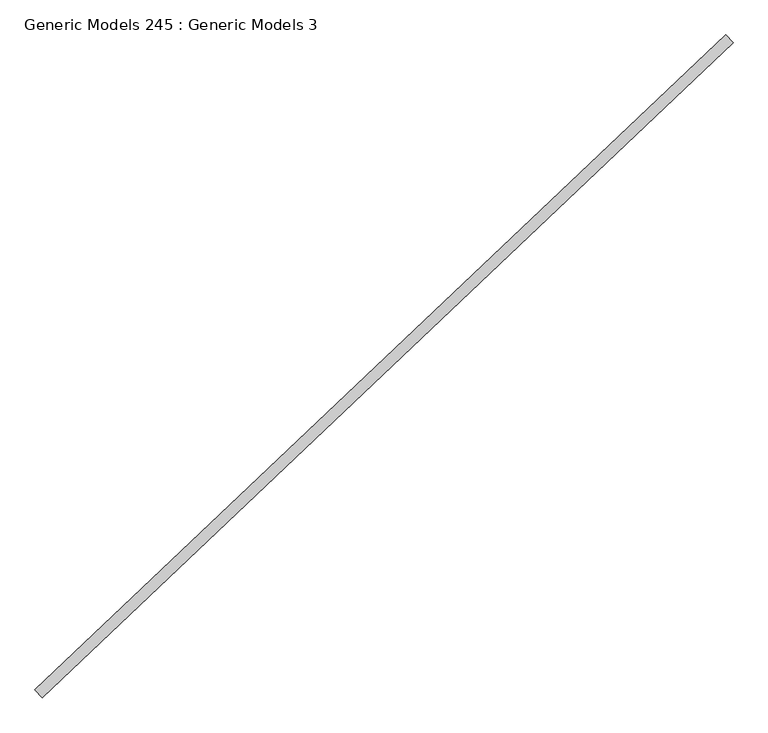
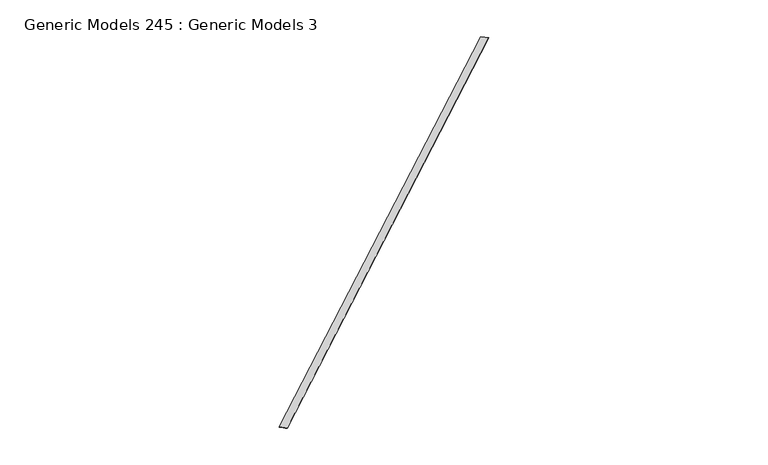
"""IFC4 building model written with IfcOpenShell, lengths in millimetres: proxy geometry, Generic Models 245 : Generic Models 3."""

from ifc_helpers import new_model, si_unit, frame, origin, place, context, project, spatial, polyline, outline, extrude, source, transform, mapped, element, save


def generic_models_245_generic_models_3_3dbd4131(model_context):
    return source(origin(), model_context, "Body", "SweptSolid", [
        extrude(outline(polyline([(115947.1854042, 53247.1694497), (116014.0551634, 53176.7034265), (109892.5120403, 47367.575909), (109825.6422811, 47438.0419322), (115947.1854042, 53247.1694497)])), frame((0.0, 0.0, 18015.2505588), z_axis=(0.0, 0.0, 1.0), x_axis=(1.0, 0.0, 0.0)), (0.0, 0.0, 1.0), 1.5875),
    ])


if __name__ == "__main__":
    model = new_model("IFC4")
    model_context = context("Model", 3, world=origin())
    ifc_project = project(units=[si_unit("LENGTHUNIT", "METRE", prefix="MILLI")], contexts=[model_context])
    site = spatial("IfcSite", under=ifc_project)
    building = spatial("IfcBuilding", under=site)
    placement = place(None, origin())
    generic_models_245_generic_models_3_shape = generic_models_245_generic_models_3_3dbd4131(model_context)
    element("IfcBuildingElementProxy", 1, Name="Generic Models 245 : Generic Models 3", ObjectType="Generic Models 245 : Generic Models 3", at=placement, inside=building, context=model_context, shape_type="MappedRepresentation", body=[
        mapped(generic_models_245_generic_models_3_shape, transform((0.0, 0.0, 0.0), x_axis=(1.0, 0.0, 0.0), y_axis=(0.0, 1.0, 0.0), z_axis=(0.0, 0.0, 1.0))),
    ])
    save(model, "model.ifc")
